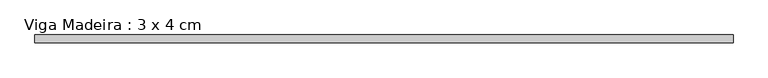
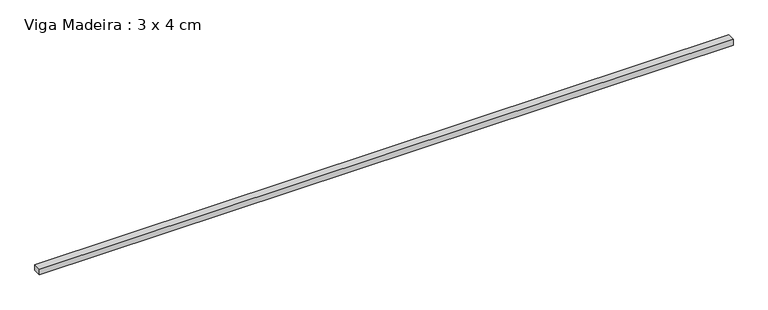
"""IFC4 building model written with IfcOpenShell, lengths in millimetres: beam geometry, Viga Madeira : 3 x 4 cm."""

from ifc_helpers import new_model, si_unit, frame, origin, place, context, project, spatial, polyline, outline, extrude, source, transform, mapped, element, save


def viga_madeira_3_x_4_cm_fd389a5d(model_context):
    return source(origin(), model_context, "Body", "SweptSolid", [
        extrude(outline(polyline([(1753.8745886, 20.0), (1753.8745886, -20.0), (-1753.8745886, -20.0), (-1753.8745886, 20.0), (1753.8745886, 20.0)])), frame((0.0, 0.0, -15.0), z_axis=(0.0, 0.0, 1.0), x_axis=(1.0, 0.0, 0.0)), (0.0, 0.0, 1.0), 30.0),
    ])


if __name__ == "__main__":
    model = new_model("IFC4")
    model_context = context("Model", 3, world=origin())
    ifc_project = project(units=[si_unit("LENGTHUNIT", "METRE", prefix="MILLI")], contexts=[model_context])
    site = spatial("IfcSite", under=ifc_project)
    building = spatial("IfcBuilding", under=site)
    placement = place(None, origin())
    viga_madeira_3_x_4_cm_shape = viga_madeira_3_x_4_cm_fd389a5d(model_context)
    element("IfcBeam", 1, ObjectType="Viga Madeira : 3 x 4 cm", at=placement, inside=building, context=model_context, shape_type="MappedRepresentation", body=[
        mapped(viga_madeira_3_x_4_cm_shape, transform((0.0, 0.0, 0.0), x_axis=(1.0, 0.0, 0.0), y_axis=(0.0, 1.0, 0.0), z_axis=(0.0, 0.0, 1.0))),
    ])
    save(model, "model.ifc")
